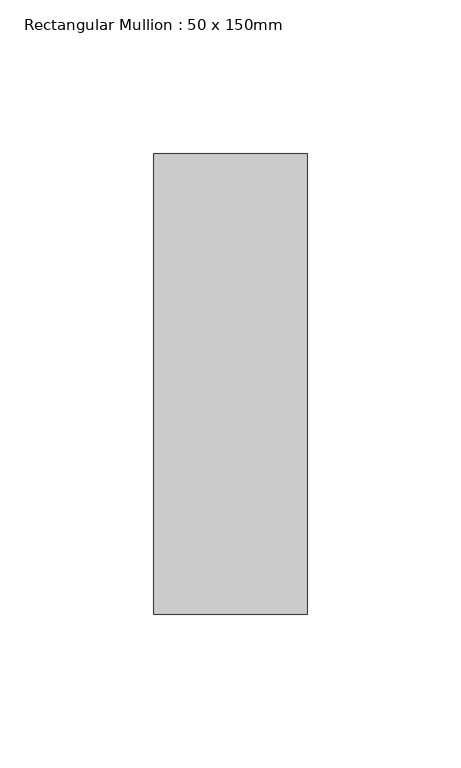
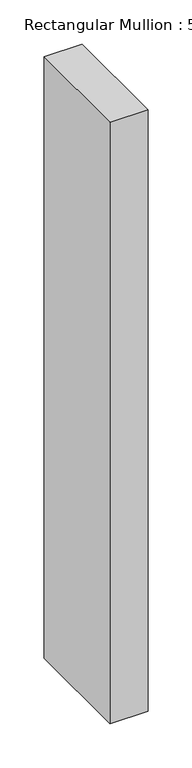
"""IFC4 building model written with IfcOpenShell, lengths in millimetres: member geometry, Rectangular Mullion : 50 x 150mm."""

import ifcopenshell
import ifcopenshell.guid

model = None  # the IFC model being written
_history = None  # IfcOwnerHistory: only IFC2X3 demands one
_inside = {}  # id of a spatial element -> (the spatial element, [elements in it])
_under = {}  # id of a project, library or spatial element -> (it, [spatial elements below it])
_declared = {}  # id of a project -> (the project, [libraries it declares])
_typed = {}  # id of a type object -> (the type object, [elements of that type])
_made_of = {}  # id of a material, layer set ... -> (it, [elements and type objects made of it])


def new_model(schema):
    """Start an empty IFC model of exactly this schema.

    Asked for "IFC4X3", IfcOpenShell would pick the latest addendum, in which some entities
    have other attributes; the version numbers below select the first issue.
    IFC2X3 requires an IfcOwnerHistory on every rooted entity: one is made here for all.
    """
    global model, _history
    if schema == "IFC4X3":
        model = ifcopenshell.file(schema_version=(4, 3, 0, 0))
    else:
        model = ifcopenshell.file(schema=schema)
    _inside.clear()
    _under.clear()
    _declared.clear()
    _typed.clear()
    _made_of.clear()
    _history = None
    if model.schema == "IFC2X3":
        org = make("IfcOrganization", Name="unknown")
        user = make(
            "IfcPersonAndOrganization",
            ThePerson=make("IfcPerson", FamilyName="unknown"),
            TheOrganization=org,
        )
        app = make(
            "IfcApplication",
            ApplicationDeveloper=org,
            Version="unknown",
            ApplicationFullName="unknown",
            ApplicationIdentifier="unknown",
        )
        _history = make(
            "IfcOwnerHistory",
            OwningUser=user,
            OwningApplication=app,
            ChangeAction="ADDED",
            CreationDate=0,
        )
    return model


def make(cls, **values):
    """One entity of the class cls with the attributes given. An attribute that is None is left unset."""
    return model.create_entity(
        cls, **{name: value for name, value in values.items() if value is not None}
    )


def rooted(cls, **values):
    """An entity with a GlobalId (a new one), such as an element, a storey or a relation."""
    return make(cls, GlobalId=ifcopenshell.guid.new(), OwnerHistory=_history, **values)


def si_unit(unit_type, name, prefix=None):
    """IfcSIUnit, for example si_unit("LENGTHUNIT", "METRE", prefix="MILLI")."""
    return make("IfcSIUnit", UnitType=unit_type, Prefix=prefix, Name=name)


def assignment(units):
    """IfcUnitAssignment: the units of a project."""
    return None if units is None else make("IfcUnitAssignment", Units=units)


def point(xyz):
    """IfcCartesianPoint."""
    return None if xyz is None else make("IfcCartesianPoint", Coordinates=xyz)


def direction(xyz):
    """IfcDirection."""
    return None if xyz is None else make("IfcDirection", DirectionRatios=xyz)


def frame(location, z_axis=None, x_axis=None):
    """IfcAxis2Placement3D, a coordinate frame: its origin and axes. An axis left out is left unset."""
    return make(
        "IfcAxis2Placement3D",
        Location=point(location),
        Axis=direction(z_axis),
        RefDirection=direction(x_axis),
    )


def origin():
    """The frame at (0, 0, 0) with its axes left unset."""
    return frame((0.0, 0.0, 0.0))


def place(relative_to, where):
    """IfcLocalPlacement: puts the frame where relative to a parent placement (None: the world)."""
    return make(
        "IfcLocalPlacement", PlacementRelTo=relative_to, RelativePlacement=where
    )


def context(
    kind, dimensions, precision=None, world=None, true_north=None, identifier=None
):
    """IfcGeometricRepresentationContext, for example the 3D "Model" context."""
    return make(
        "IfcGeometricRepresentationContext",
        ContextIdentifier=identifier,
        ContextType=kind,
        CoordinateSpaceDimension=dimensions,
        Precision=precision,
        WorldCoordinateSystem=world,
        TrueNorth=true_north,
    )


def project(units=None, contexts=None):
    """IfcProject with its units and contexts."""
    return rooted(
        "IfcProject",
        Name="project",
        RepresentationContexts=contexts,
        UnitsInContext=assignment(units),
    )


def spatial(cls, under=None, at=None, **own):
    """A site, building, storey or space (cls), placed at a placement, below another one or the project."""
    s = rooted(cls, ObjectPlacement=at, **own)
    if under is not None:
        _under.setdefault(under.id(), (under, []))[1].append(s)
    return s


def polyline(points):
    """IfcPolyline through the points."""
    return make("IfcPolyline", Points=[point(p) for p in points])


def outline(outer, holes=None, kind="AREA"):
    """IfcArbitraryClosedProfileDef: a profile drawn as a closed curve; with holes, ...WithVoids."""
    if holes is None:
        return make("IfcArbitraryClosedProfileDef", ProfileType=kind, OuterCurve=outer)
    return make(
        "IfcArbitraryProfileDefWithVoids",
        ProfileType=kind,
        OuterCurve=outer,
        InnerCurves=holes,
    )


def extrude(swept, where, along, depth):
    """IfcExtrudedAreaSolid: the profile swept, set in the frame where, extruded along a direction by depth."""
    return make(
        "IfcExtrudedAreaSolid",
        SweptArea=swept,
        Position=where,
        ExtrudedDirection=direction(along),
        Depth=depth,
    )


def shape(context_of_items, identifier, shape_type, items):
    """IfcShapeRepresentation: the items that make up one representation, for example the "Body"."""
    return make(
        "IfcShapeRepresentation",
        ContextOfItems=context_of_items,
        RepresentationIdentifier=identifier,
        RepresentationType=shape_type,
        Items=items,
    )


def source(mapping_origin, context_of_items, identifier, shape_type, items):
    """IfcRepresentationMap: a shape defined once, which mapped items show again and again."""
    return make(
        "IfcRepresentationMap",
        MappingOrigin=mapping_origin,
        MappedRepresentation=shape(context_of_items, identifier, shape_type, items),
    )


def transform(
    local_origin,
    x_axis=None,
    y_axis=None,
    z_axis=None,
    scale=None,
    scale2=None,
    scale3=None,
    uniform=True,
):
    """IfcCartesianTransformationOperator3D, or its non-uniform kind. x_axis, y_axis, z_axis: its Axis1, 2, 3."""
    if uniform:
        return make(
            "IfcCartesianTransformationOperator3D",
            Axis1=direction(x_axis),
            Axis2=direction(y_axis),
            LocalOrigin=point(local_origin),
            Scale=scale,
            Axis3=direction(z_axis),
        )
    return make(
        "IfcCartesianTransformationOperator3DnonUniform",
        Axis1=direction(x_axis),
        Axis2=direction(y_axis),
        LocalOrigin=point(local_origin),
        Scale=scale,
        Axis3=direction(z_axis),
        Scale2=scale2,
        Scale3=scale3,
    )


def mapped(mapping_source, mapping_target):
    """IfcMappedItem: shows the shape of a source again, moved by a transform."""
    return make(
        "IfcMappedItem", MappingSource=mapping_source, MappingTarget=mapping_target
    )


def made_of(thing, what):
    """Note that an element or type object is made of a material, layer set ...; save() writes the relation."""
    if what is not None:
        _made_of.setdefault(what.id(), (what, []))[1].append(thing)
    return thing


def element(
    cls,
    number,
    at=None,
    inside=None,
    cuts=None,
    type_object=None,
    material=None,
    context=None,
    identifier="Body",
    shape_type=None,
    held_by="IfcProductDefinitionShape",
    body=None,
    shapes=None,
    **own,
):
    """One element of the class cls, such as IfcWall. Its Tag is "e" and its number.

    at: its placement. inside: the storey or other place that contains it. cuts: it is an
    opening in that element (IfcRelVoidsElement). A single representation is given by context,
    identifier, shape_type and body (its items); several are given by shapes. held_by: the class
    of the entity that holds the representations. save() writes the other relations.
    """
    e = rooted(cls, Tag="e%d" % number, ObjectPlacement=at, **own)
    if body is not None:
        shapes = [shape(context, identifier, shape_type, body)]
    if shapes is not None:
        e.Representation = make(held_by, Representations=shapes)
    if inside is not None:
        _inside.setdefault(inside.id(), (inside, []))[1].append(e)
    if cuts is not None:
        rooted(
            "IfcRelVoidsElement", RelatingBuildingElement=cuts, RelatedOpeningElement=e
        )
    if type_object is not None:
        _typed.setdefault(type_object.id(), (type_object, []))[1].append(e)
    return made_of(e, material)


def aggregate(whole, parts):
    """IfcRelAggregates: a whole, such as a stair, and the parts it consists of."""
    return rooted("IfcRelAggregates", RelatingObject=whole, RelatedObjects=parts)


def save(model, path):
    """Write the relations noted so far, then the file.

    IfcRelAggregates (storeys below a building ...), IfcRelContainedInSpatialStructure (elements
    in a storey), IfcRelDefinesByType, IfcRelAssociatesMaterial and IfcRelDeclares: one each for
    every whole, place, type object, material and project.
    """
    for whole, parts in _under.values():
        aggregate(whole, parts)
    for where, things in _inside.values():
        rooted(
            "IfcRelContainedInSpatialStructure",
            RelatedElements=things,
            RelatingStructure=where,
        )
    for kind, things in _typed.values():
        rooted("IfcRelDefinesByType", RelatedObjects=things, RelatingType=kind)
    for what, things in _made_of.values():
        rooted("IfcRelAssociatesMaterial", RelatedObjects=things, RelatingMaterial=what)
    for by, libraries in _declared.values():
        rooted("IfcRelDeclares", RelatingContext=by, RelatedDefinitions=libraries)
    model.write(path)


def rectangular_mullion_50_x_150mm_e6278944(model_context):
    return source(origin(), model_context, "Body", "SweptSolid", [
        extrude(outline(polyline([(0.0, 75.0), (0.0, -75.0), (-50.0, -75.0), (-50.0, 75.0), (0.0, 75.0)])), frame((0.0, 0.0, -833.3333333), z_axis=(0.0, 0.0, 1.0), x_axis=(1.0, 0.0, 0.0)), (0.0, 0.0, 1.0), 833.3333333),
    ])


if __name__ == "__main__":
    model = new_model("IFC4")
    model_context = context("Model", 3, world=origin())
    ifc_project = project(units=[si_unit("LENGTHUNIT", "METRE", prefix="MILLI")], contexts=[model_context])
    site = spatial("IfcSite", under=ifc_project)
    building = spatial("IfcBuilding", under=site)
    placement = place(None, origin())
    rectangular_mullion_50_x_150mm_shape = rectangular_mullion_50_x_150mm_e6278944(model_context)
    element("IfcMember", 1, ObjectType="Rectangular Mullion : 50 x 150mm", at=placement, inside=building, context=model_context, shape_type="MappedRepresentation", body=[
        mapped(rectangular_mullion_50_x_150mm_shape, transform((0.0, 0.0, 0.0), x_axis=(1.0, 0.0, 0.0), y_axis=(0.0, 1.0, 0.0), z_axis=(0.0, 0.0, 1.0))),
    ])
    save(model, "model.ifc")
